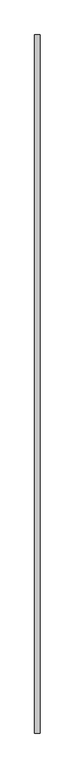
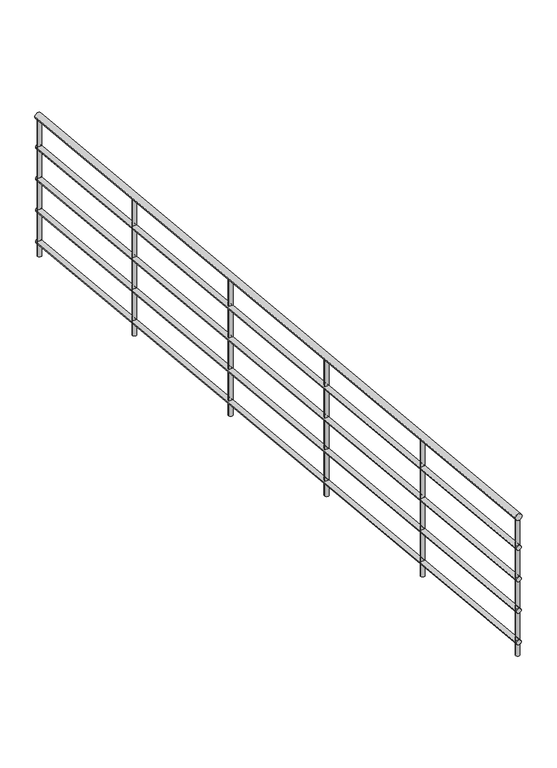
"""IFC4 building model written with IfcOpenShell, lengths in millimetres: railing geometry."""

from ifc_helpers import new_model, si_unit, frame, origin, place, context, project, spatial, circle_curve, ellipse_curve, source, transform, mapped, element, save
from ifc_brep_helpers import plane_surface, cylinder_surface, advanced_brep


def railing_09325b15(model_context):
    return source(origin(), model_context, "Body", "AdvancedBrep", [
        advanced_brep(
        [(-18697.4724667, 3602.4523768, 879.9059615), (-18657.4724667, 3602.4523768, 879.9059615), (-18697.4724667, 8602.4523768, 394.4690683), (-18657.4724667, 8602.4523768, 394.4690683)],
        [
            (0, 1, ellipse_curve(frame((-18677.4724667, 3602.4523768, 879.9059615), z_axis=(0.0, -1.0, 0.0), x_axis=(0.0, 0.0, 0.9999999999999999)), 20.0940385, 20.0)),
            (1, 0, ellipse_curve(frame((-18677.4724667, 3602.4523768, 879.9059615), z_axis=(0.0, -1.0, 0.0), x_axis=(0.0, 0.0, 0.9999999999999999)), 20.0940385, 20.0)),
            (2, 3, ellipse_curve(frame((-18677.4724667, 8602.4523768, 394.4690683), z_axis=(0.0, 1.0, 0.0), x_axis=(0.0, 0.0, 0.9999999999999999)), 20.0940385, 20.0)),
            (3, 2, ellipse_curve(frame((-18677.4724667, 8602.4523768, 394.4690683), z_axis=(0.0, 1.0, 0.0), x_axis=(0.0, 0.0, 0.9999999999999999)), 20.0940385, 20.0)),
            (0, 2),
            (3, 1),
        ],
        [
            plane_surface(frame((-18677.4724667, 3602.4523768, 900.0), z_axis=(0.0, -1.0, 0.0), x_axis=(0.0, 0.0, 1.0))),
            plane_surface(frame((-18677.4724667, 8602.4523768, 414.5631068), z_axis=(0.0, 1.0, 0.0), x_axis=(0.0, 0.0, 1.0))),
            cylinder_surface(frame((-18677.4724667, 3600.5197165, 880.0935984), z_axis=(0.0, -0.995320079145184, 0.0966330173927363), x_axis=(1.0, 0.0, 0.0)), 20.0),
        ],
        [
            (0, [[1, 2]]),
            (1, [[3, 4]]),
            (2, [[-1, 5, -4, 6]]),
            (2, [[-2, -6, -3, -5]]),
        ],
    ),
        advanced_brep(
        [(-18692.4724667, 3602.4523768, 684.9294711), (-18662.4724667, 3602.4523768, 684.9294711), (-18692.4724667, 8602.4523768, 199.4925779), (-18662.4724667, 8602.4523768, 199.4925779)],
        [
            (0, 1, ellipse_curve(frame((-18677.4724667, 3602.4523768, 684.9294711), z_axis=(0.0, -1.0, 0.0), x_axis=(0.0, 0.0, 0.9999999999999999)), 15.0705289, 15.0)),
            (1, 0, ellipse_curve(frame((-18677.4724667, 3602.4523768, 684.9294711), z_axis=(0.0, -1.0, 0.0), x_axis=(0.0, 0.0, 0.9999999999999999)), 15.0705289, 15.0)),
            (2, 3, ellipse_curve(frame((-18677.4724667, 8602.4523768, 199.4925779), z_axis=(0.0, 1.0, 0.0), x_axis=(0.0, 0.0, 0.9999999999999999)), 15.0705289, 15.0)),
            (3, 2, ellipse_curve(frame((-18677.4724667, 8602.4523768, 199.4925779), z_axis=(0.0, 1.0, 0.0), x_axis=(0.0, 0.0, 0.9999999999999999)), 15.0705289, 15.0)),
            (0, 2),
            (3, 1),
        ],
        [
            plane_surface(frame((-18677.4724667, 3602.4523768, 700.0), z_axis=(0.0, -1.0, 0.0), x_axis=(0.0, 0.0, 1.0))),
            plane_surface(frame((-18677.4724667, 8602.4523768, 214.5631068), z_axis=(0.0, 1.0, 0.0), x_axis=(0.0, 0.0, 1.0))),
            cylinder_surface(frame((-18677.4724667, 3601.0028815, 685.0701988), z_axis=(0.0, -0.995320079145184, 0.0966330173927363), x_axis=(1.0, 0.0, 0.0)), 15.0),
        ],
        [
            (0, [[1, 2]]),
            (1, [[3, 4]]),
            (2, [[-1, 5, -4, 6]]),
            (2, [[-2, -6, -3, -5]]),
        ],
    ),
        advanced_brep(
        [(-18692.4724667, 3602.4523768, 484.9294711), (-18662.4724667, 3602.4523768, 484.9294711), (-18692.4724667, 8602.4523768, -0.5074221), (-18662.4724667, 8602.4523768, -0.5074221)],
        [
            (0, 1, ellipse_curve(frame((-18677.4724667, 3602.4523768, 484.9294711), z_axis=(0.0, -1.0, 0.0), x_axis=(0.0, 0.0, 0.9999999999999999)), 15.0705289, 15.0)),
            (1, 0, ellipse_curve(frame((-18677.4724667, 3602.4523768, 484.9294711), z_axis=(0.0, -1.0, 0.0), x_axis=(0.0, 0.0, 0.9999999999999999)), 15.0705289, 15.0)),
            (2, 3, ellipse_curve(frame((-18677.4724667, 8602.4523768, -0.5074221), z_axis=(0.0, 1.0, 0.0), x_axis=(0.0, 0.0, 0.9999999999999999)), 15.0705289, 15.0)),
            (3, 2, ellipse_curve(frame((-18677.4724667, 8602.4523768, -0.5074221), z_axis=(0.0, 1.0, 0.0), x_axis=(0.0, 0.0, 0.9999999999999999)), 15.0705289, 15.0)),
            (0, 2),
            (3, 1),
        ],
        [
            plane_surface(frame((-18677.4724667, 3602.4523768, 500.0), z_axis=(0.0, -1.0, 0.0), x_axis=(0.0, 0.0, 1.0))),
            plane_surface(frame((-18677.4724667, 8602.4523768, 14.5631068), z_axis=(0.0, 1.0, 0.0), x_axis=(0.0, 0.0, 1.0))),
            cylinder_surface(frame((-18677.4724667, 3601.0028815, 485.0701988), z_axis=(0.0, -0.995320079145184, 0.09663301739273632), x_axis=(1.0, 0.0, 0.0)), 15.0),
        ],
        [
            (0, [[1, 2]]),
            (1, [[3, 4]]),
            (2, [[-1, 5, -4, 6]]),
            (2, [[-2, -6, -3, -5]]),
        ],
    ),
        advanced_brep(
        [(-18692.4724667, 3602.4523768, 284.9294711), (-18662.4724667, 3602.4523768, 284.9294711), (-18692.4724667, 8602.4523768, -200.5074221), (-18662.4724667, 8602.4523768, -200.5074221)],
        [
            (0, 1, ellipse_curve(frame((-18677.4724667, 3602.4523768, 284.9294711), z_axis=(0.0, -1.0, 0.0), x_axis=(0.0, 0.0, 0.9999999999999999)), 15.0705289, 15.0)),
            (1, 0, ellipse_curve(frame((-18677.4724667, 3602.4523768, 284.9294711), z_axis=(0.0, -1.0, 0.0), x_axis=(0.0, 0.0, 0.9999999999999999)), 15.0705289, 15.0)),
            (2, 3, ellipse_curve(frame((-18677.4724667, 8602.4523768, -200.5074221), z_axis=(0.0, 1.0, 0.0), x_axis=(0.0, 0.0, 0.9999999999999999)), 15.0705289, 15.0)),
            (3, 2, ellipse_curve(frame((-18677.4724667, 8602.4523768, -200.5074221), z_axis=(0.0, 1.0, 0.0), x_axis=(0.0, 0.0, 0.9999999999999999)), 15.0705289, 15.0)),
            (0, 2),
            (3, 1),
        ],
        [
            plane_surface(frame((-18677.4724667, 3602.4523768, 300.0), z_axis=(0.0, -1.0, 0.0), x_axis=(0.0, 0.0, 1.0))),
            plane_surface(frame((-18677.4724667, 8602.4523768, -185.4368932), z_axis=(0.0, 1.0, 0.0), x_axis=(0.0, 0.0, 1.0))),
            cylinder_surface(frame((-18677.4724667, 3601.0028815, 285.0701988), z_axis=(0.0, -0.995320079145184, 0.0966330173927363), x_axis=(1.0, 0.0, 0.0)), 15.0),
        ],
        [
            (0, [[1, 2]]),
            (1, [[3, 4]]),
            (2, [[-1, 5, -4, 6]]),
            (2, [[-2, -6, -3, -5]]),
        ],
    ),
        advanced_brep(
        [(-18692.4724667, 3602.4523768, 84.9294711), (-18662.4724667, 3602.4523768, 84.9294711), (-18692.4724667, 8602.4523768, -400.5074221), (-18662.4724667, 8602.4523768, -400.5074221)],
        [
            (0, 1, ellipse_curve(frame((-18677.4724667, 3602.4523768, 84.9294711), z_axis=(0.0, -1.0, 0.0), x_axis=(0.0, 0.0, 0.9999999999999999)), 15.0705289, 15.0)),
            (1, 0, ellipse_curve(frame((-18677.4724667, 3602.4523768, 84.9294711), z_axis=(0.0, -1.0, 0.0), x_axis=(0.0, 0.0, 0.9999999999999999)), 15.0705289, 15.0)),
            (2, 3, ellipse_curve(frame((-18677.4724667, 8602.4523768, -400.5074221), z_axis=(0.0, 1.0, 0.0), x_axis=(0.0, 0.0, 0.9999999999999999)), 15.0705289, 15.0)),
            (3, 2, ellipse_curve(frame((-18677.4724667, 8602.4523768, -400.5074221), z_axis=(0.0, 1.0, 0.0), x_axis=(0.0, 0.0, 0.9999999999999999)), 15.0705289, 15.0)),
            (0, 2),
            (3, 1),
        ],
        [
            plane_surface(frame((-18677.4724667, 3602.4523768, 100.0), z_axis=(0.0, -1.0, 0.0), x_axis=(0.0, 0.0, 1.0))),
            plane_surface(frame((-18677.4724667, 8602.4523768, -385.4368932), z_axis=(0.0, 1.0, 0.0), x_axis=(0.0, 0.0, 1.0))),
            cylinder_surface(frame((-18677.4724667, 3601.0028815, 85.0701988), z_axis=(0.0, -0.995320079145184, 0.0966330173927363), x_axis=(1.0, 0.0, 0.0)), 15.0),
        ],
        [
            (0, [[1, 2]]),
            (1, [[3, 4]]),
            (2, [[-1, 5, -4, 6]]),
            (2, [[-2, -6, -3, -5]]),
        ],
    ),
        advanced_brep(
        [(-18664.9724667, 7602.4523768, 471.4624084), (-18664.9724667, 7602.4523768, -388.3495146), (-18689.9724667, 7602.4523768, -388.3495146), (-18689.9724667, 7602.4523768, 471.4624084)],
        [
            (0, 1),
            (1, 2, circle_curve(frame((-18677.4724667, 7602.4523768, -388.3495146), z_axis=(0.0, 0.0, 1.0), x_axis=(-1.0, 0.0, 0.0)), 12.5)),
            (2, 3),
            (3, 0, ellipse_curve(frame((-18677.4724667, 7602.4523768, 471.4624084), z_axis=(0.0, -0.09663301739273514, -0.9953200791451841), x_axis=(0.0, -0.9953200791451842, 0.09663301739273401)), 12.5587741, 12.5)),
            (0, 3, ellipse_curve(frame((-18677.4724667, 7602.4523768, 471.4624084), z_axis=(0.0, -0.09663301739273514, -0.9953200791451841), x_axis=(0.0, -0.9953200791451842, 0.09663301739273401)), 12.5587741, 12.5)),
            (2, 1, circle_curve(frame((-18677.4724667, 7602.4523768, -388.3495146), z_axis=(0.0, 0.0, 1.0), x_axis=(-1.0, 0.0, 0.0)), 12.5)),
        ],
        [
            cylinder_surface(frame((-18677.4724667, 7602.4523768, -488.3495146), z_axis=(0.0, 0.0, 1.0), x_axis=(-1.0, 0.0, 0.0)), 12.5),
            plane_surface(frame((-18702.4724667, 7627.4523768, 469.035224), z_axis=(0.0, 0.09663301739273514, 0.9953200791451841), x_axis=(1.0, 0.0, 0.0))),
            plane_surface(frame((-18702.4724667, 7577.4523768, -388.3495146), z_axis=(0.0, 0.0, -1.0), x_axis=(1.0, 0.0, 0.0))),
        ],
        [
            (0, [[1, 2, 3, 4]]),
            (0, [[-1, 5, -3, 6]]),
            (1, [[-4, -5]]),
            (2, [[-2, -6]]),
        ],
    ),
        advanced_brep(
        [(-18664.9724667, 6602.4523768, 568.5497871), (-18664.9724667, 6602.4523768, -291.2621359), (-18689.9724667, 6602.4523768, -291.2621359), (-18689.9724667, 6602.4523768, 568.5497871)],
        [
            (0, 1),
            (1, 2, circle_curve(frame((-18677.4724667, 6602.4523768, -291.2621359), z_axis=(0.0, 0.0, 1.0), x_axis=(-1.0, 0.0, 0.0)), 12.5)),
            (2, 3),
            (3, 0, ellipse_curve(frame((-18677.4724667, 6602.4523768, 568.5497871), z_axis=(0.0, -0.09663301739273514, -0.9953200791451841), x_axis=(0.0, -0.9953200791451842, 0.09663301739273401)), 12.5587741, 12.5)),
            (0, 3, ellipse_curve(frame((-18677.4724667, 6602.4523768, 568.5497871), z_axis=(0.0, -0.09663301739273514, -0.9953200791451841), x_axis=(0.0, -0.9953200791451842, 0.09663301739273401)), 12.5587741, 12.5)),
            (2, 1, circle_curve(frame((-18677.4724667, 6602.4523768, -291.2621359), z_axis=(0.0, 0.0, 1.0), x_axis=(-1.0, 0.0, 0.0)), 12.5)),
        ],
        [
            cylinder_surface(frame((-18677.4724667, 6602.4523768, -391.2621359), z_axis=(0.0, 0.0, 1.0), x_axis=(-1.0, 0.0, 0.0)), 12.5),
            plane_surface(frame((-18702.4724667, 6627.4523768, 566.1226026), z_axis=(0.0, 0.09663301739273514, 0.9953200791451841), x_axis=(1.0, 0.0, 0.0))),
            plane_surface(frame((-18702.4724667, 6577.4523768, -291.2621359), z_axis=(0.0, 0.0, -1.0), x_axis=(1.0, 0.0, 0.0))),
        ],
        [
            (0, [[1, 2, 3, 4]]),
            (0, [[-1, 5, -3, 6]]),
            (1, [[-4, -5]]),
            (2, [[-2, -6]]),
        ],
    ),
        advanced_brep(
        [(-18664.9724667, 5602.4523768, 665.6371657), (-18664.9724667, 5602.4523768, -194.1747573), (-18689.9724667, 5602.4523768, -194.1747573), (-18689.9724667, 5602.4523768, 665.6371657)],
        [
            (0, 1),
            (1, 2, circle_curve(frame((-18677.4724667, 5602.4523768, -194.1747573), z_axis=(0.0, 0.0, 1.0), x_axis=(-1.0, 0.0, 0.0)), 12.5)),
            (2, 3),
            (3, 0, ellipse_curve(frame((-18677.4724667, 5602.4523768, 665.6371657), z_axis=(0.0, -0.09663301739273514, -0.9953200791451841), x_axis=(0.0, -0.9953200791451842, 0.09663301739273401)), 12.5587741, 12.5)),
            (0, 3, ellipse_curve(frame((-18677.4724667, 5602.4523768, 665.6371657), z_axis=(0.0, -0.09663301739273514, -0.9953200791451841), x_axis=(0.0, -0.9953200791451842, 0.09663301739273401)), 12.5587741, 12.5)),
            (2, 1, circle_curve(frame((-18677.4724667, 5602.4523768, -194.1747573), z_axis=(0.0, 0.0, 1.0), x_axis=(-1.0, 0.0, 0.0)), 12.5)),
        ],
        [
            cylinder_surface(frame((-18677.4724667, 5602.4523768, -294.1747573), z_axis=(0.0, 0.0, 1.0), x_axis=(-1.0, 0.0, 0.0)), 12.5),
            plane_surface(frame((-18702.4724667, 5627.4523768, 663.2099812), z_axis=(0.0, 0.09663301739273514, 0.9953200791451841), x_axis=(1.0, 0.0, 0.0))),
            plane_surface(frame((-18702.4724667, 5577.4523768, -194.1747573), z_axis=(0.0, 0.0, -1.0), x_axis=(1.0, 0.0, 0.0))),
        ],
        [
            (0, [[1, 2, 3, 4]]),
            (0, [[-1, 5, -3, 6]]),
            (1, [[-4, -5]]),
            (2, [[-2, -6]]),
        ],
    ),
        advanced_brep(
        [(-18664.9724667, 4602.4523768, 762.7245443), (-18664.9724667, 4602.4523768, -97.0873786), (-18689.9724667, 4602.4523768, -97.0873786), (-18689.9724667, 4602.4523768, 762.7245443)],
        [
            (0, 1),
            (1, 2, circle_curve(frame((-18677.4724667, 4602.4523768, -97.0873786), z_axis=(0.0, 0.0, 1.0), x_axis=(-1.0, 0.0, 0.0)), 12.5)),
            (2, 3),
            (3, 0, ellipse_curve(frame((-18677.4724667, 4602.4523768, 762.7245443), z_axis=(0.0, -0.09663301739273514, -0.9953200791451841), x_axis=(0.0, -0.9953200791451842, 0.09663301739273401)), 12.5587741, 12.5)),
            (0, 3, ellipse_curve(frame((-18677.4724667, 4602.4523768, 762.7245443), z_axis=(0.0, -0.09663301739273514, -0.9953200791451841), x_axis=(0.0, -0.9953200791451842, 0.09663301739273401)), 12.5587741, 12.5)),
            (2, 1, circle_curve(frame((-18677.4724667, 4602.4523768, -97.0873786), z_axis=(0.0, 0.0, 1.0), x_axis=(-1.0, 0.0, 0.0)), 12.5)),
        ],
        [
            cylinder_surface(frame((-18677.4724667, 4602.4523768, -197.0873786), z_axis=(0.0, 0.0, 1.0), x_axis=(-1.0, 0.0, 0.0)), 12.5),
            plane_surface(frame((-18702.4724667, 4627.4523768, 760.2973599), z_axis=(0.0, 0.09663301739273514, 0.9953200791451841), x_axis=(1.0, 0.0, 0.0))),
            plane_surface(frame((-18702.4724667, 4577.4523768, -97.0873786), z_axis=(0.0, 0.0, -1.0), x_axis=(1.0, 0.0, 0.0))),
        ],
        [
            (0, [[1, 2, 3, 4]]),
            (0, [[-1, 5, -3, 6]]),
            (1, [[-4, -5]]),
            (2, [[-2, -6]]),
        ],
    ),
        advanced_brep(
        [(-18664.9724667, 8589.9523768, 375.588622), (-18664.9724667, 8589.9523768, -484.223301), (-18689.9724667, 8589.9523768, -484.223301), (-18689.9724667, 8589.9523768, 375.588622)],
        [
            (0, 1),
            (1, 2, circle_curve(frame((-18677.4724667, 8589.9523768, -484.223301), z_axis=(0.0, 0.0, 1.0), x_axis=(-1.0, 0.0, 0.0)), 12.5)),
            (2, 3),
            (3, 0, ellipse_curve(frame((-18677.4724667, 8589.9523768, 375.588622), z_axis=(0.0, -0.09663301739273514, -0.9953200791451841), x_axis=(0.0, -0.9953200791451842, 0.09663301739273401)), 12.5587741, 12.5)),
            (0, 3, ellipse_curve(frame((-18677.4724667, 8589.9523768, 375.588622), z_axis=(0.0, -0.09663301739273514, -0.9953200791451841), x_axis=(0.0, -0.9953200791451842, 0.09663301739273401)), 12.5587741, 12.5)),
            (2, 1, circle_curve(frame((-18677.4724667, 8589.9523768, -484.223301), z_axis=(0.0, 0.0, 1.0), x_axis=(-1.0, 0.0, 0.0)), 12.5)),
        ],
        [
            cylinder_surface(frame((-18677.4724667, 8589.9523768, -584.223301), z_axis=(0.0, 0.0, 1.0), x_axis=(-1.0, 0.0, 0.0)), 12.5),
            plane_surface(frame((-18702.4724667, 8614.9523768, 373.1614375), z_axis=(0.0, 0.09663301739273514, 0.9953200791451841), x_axis=(1.0, 0.0, 0.0))),
            plane_surface(frame((-18702.4724667, 8564.9523768, -484.223301), z_axis=(0.0, 0.0, -1.0), x_axis=(1.0, 0.0, 0.0))),
        ],
        [
            (0, [[1, 2, 3, 4]]),
            (0, [[-1, 5, -3, 6]]),
            (1, [[-4, -5]]),
            (2, [[-2, -6]]),
        ],
    ),
        advanced_brep(
        [(-18664.9724667, 3614.9523768, 858.5983307), (-18664.9724667, 3614.9523768, -1.2135922), (-18689.9724667, 3614.9523768, -1.2135922), (-18689.9724667, 3614.9523768, 858.5983307)],
        [
            (0, 1),
            (1, 2, circle_curve(frame((-18677.4724667, 3614.9523768, -1.2135922), z_axis=(0.0, 0.0, 1.0), x_axis=(-1.0, 0.0, 0.0)), 12.5)),
            (2, 3),
            (3, 0, ellipse_curve(frame((-18677.4724667, 3614.9523768, 858.5983307), z_axis=(0.0, -0.09663301739273514, -0.9953200791451841), x_axis=(0.0, -0.9953200791451842, 0.09663301739273401)), 12.5587741, 12.5)),
            (0, 3, ellipse_curve(frame((-18677.4724667, 3614.9523768, 858.5983307), z_axis=(0.0, -0.09663301739273514, -0.9953200791451841), x_axis=(0.0, -0.9953200791451842, 0.09663301739273401)), 12.5587741, 12.5)),
            (2, 1, circle_curve(frame((-18677.4724667, 3614.9523768, -1.2135922), z_axis=(0.0, 0.0, 1.0), x_axis=(-1.0, 0.0, 0.0)), 12.5)),
        ],
        [
            cylinder_surface(frame((-18677.4724667, 3614.9523768, -101.2135922), z_axis=(0.0, 0.0, 1.0), x_axis=(-1.0, 0.0, 0.0)), 12.5),
            plane_surface(frame((-18702.4724667, 3639.9523768, 856.1711463), z_axis=(0.0, 0.09663301739273514, 0.9953200791451841), x_axis=(1.0, 0.0, 0.0))),
            plane_surface(frame((-18702.4724667, 3589.9523768, -1.2135922), z_axis=(0.0, 0.0, -1.0), x_axis=(1.0, 0.0, 0.0))),
        ],
        [
            (0, [[1, 2, 3, 4]]),
            (0, [[-1, 5, -3, 6]]),
            (1, [[-4, -5]]),
            (2, [[-2, -6]]),
        ],
    ),
    ])


if __name__ == "__main__":
    model = new_model("IFC4")
    model_context = context("Model", 3, world=origin())
    ifc_project = project(units=[si_unit("LENGTHUNIT", "METRE", prefix="MILLI")], contexts=[model_context])
    site = spatial("IfcSite", under=ifc_project)
    building = spatial("IfcBuilding", under=site)
    placement = place(None, origin())
    railing_shape = railing_09325b15(model_context)
    element("IfcRailing", 1, at=placement, inside=building, context=model_context, shape_type="MappedRepresentation", body=[
        mapped(railing_shape, transform((0.0, 0.0, 0.0), x_axis=(1.0, 0.0, 0.0), y_axis=(0.0, 1.0, 0.0), z_axis=(0.0, 0.0, 1.0))),
    ])
    save(model, "model.ifc")
